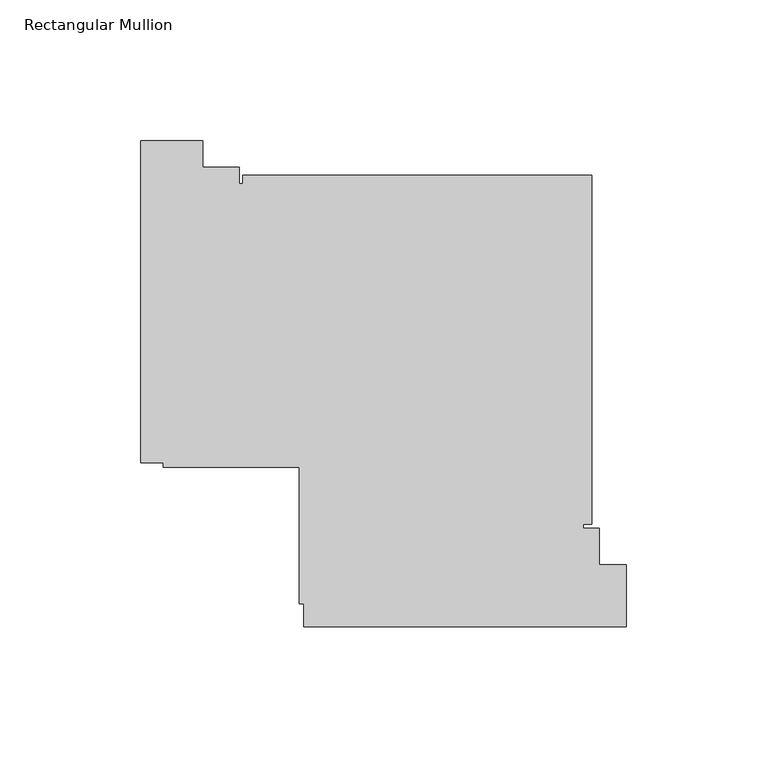
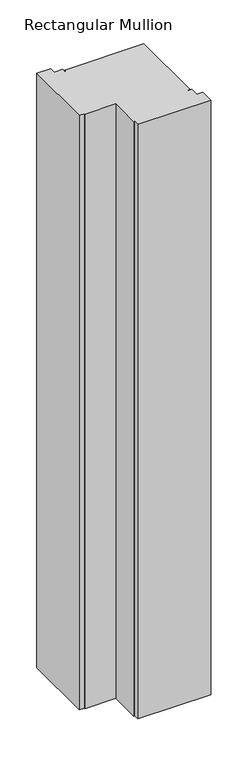
"""IFC4 building model written with IfcOpenShell, lengths in millimetres: member geometry, Rectangular Mullion."""

from ifc_helpers import new_model, si_unit, frame, origin, place, context, project, spatial, polyline, outline, extrude, source, transform, mapped, element, save


def rectangular_mullion_ea61b838(model_context):
    return source(origin(), model_context, "Body", "SweptSolid", [
        extrude(outline(polyline([(-192.0097665, -15.0000854), (-170.0099868, -15.0000854), (-170.0099868, -24.5000025), (-157.0084604, -24.5000025), (-157.0084604, -30.3000025), (-155.8100025, -30.3000025), (-155.8100025, -27.3000025), (-31.8100025, -27.3000025), (-31.8100025, -151.3000025), (-34.8100025, -151.3000025), (-34.8100025, -152.6999669), (-29.0100025, -152.6999669), (-29.0100025, -165.699906), (-19.5100025, -165.699906), (-19.5100025, -187.6999669), (-134.0100025, -187.6999669), (-134.0100025, -179.5000025), (-135.6100025, -179.5000025), (-135.6100025, -131.1000025), (-184.0100025, -131.1000025), (-184.0100025, -129.5000025), (-192.0097665, -129.5000025), (-192.0097665, -15.0000854)])), frame((0.0, 0.0, -983.7033268), z_axis=(0.0, 0.0, 1.0), x_axis=(1.0, 0.0, 0.0)), (0.0, 0.0, 1.0), 983.7033268),
    ])


if __name__ == "__main__":
    model = new_model("IFC4")
    model_context = context("Model", 3, world=origin())
    ifc_project = project(units=[si_unit("LENGTHUNIT", "METRE", prefix="MILLI")], contexts=[model_context])
    site = spatial("IfcSite", under=ifc_project)
    building = spatial("IfcBuilding", under=site)
    placement = place(None, origin())
    rectangular_mullion_shape = rectangular_mullion_ea61b838(model_context)
    element("IfcMember", 1, ObjectType="Rectangular Mullion", at=placement, inside=building, context=model_context, shape_type="MappedRepresentation", body=[
        mapped(rectangular_mullion_shape, transform((0.0, 0.0, 0.0), x_axis=(1.0, 0.0, 0.0), y_axis=(0.0, 1.0, 0.0), z_axis=(0.0, 0.0, 1.0))),
    ])
    save(model, "model.ifc")
